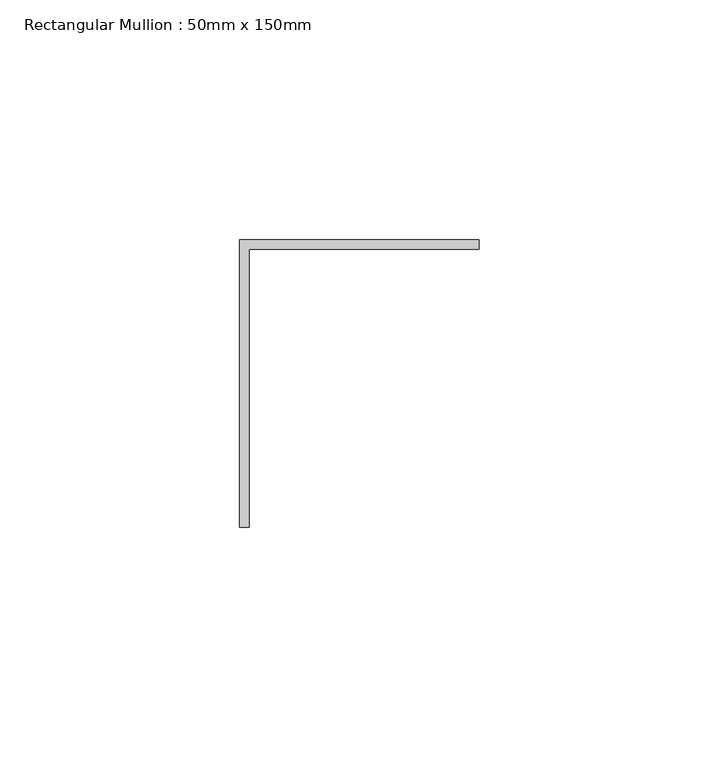
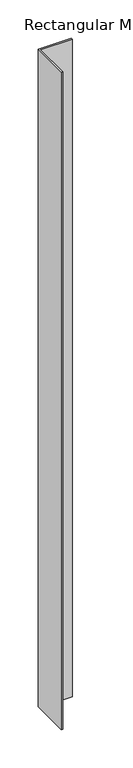
"""IFC4 building model written with IfcOpenShell, lengths in millimetres: member geometry, Rectangular Mullion : 50mm x 150mm."""

from ifc_helpers import new_model, si_unit, frame, origin, place, context, project, spatial, polyline, outline, extrude, source, transform, mapped, element, save


def rectangular_mullion_50mm_x_150mm_3222b00c(model_context):
    return source(origin(), model_context, "Body", "SweptSolid", [
        extrude(outline(polyline([(-50.0, 0.0), (0.0, 0.0), (0.0, -2.0), (-48.0, -2.0), (-48.0, -60.0), (-50.0, -60.0), (-50.0, 0.0)])), frame((0.0, 0.0, -1049.6930737), z_axis=(0.0, 0.0, 1.0), x_axis=(1.0, 0.0, 0.0)), (0.0, 0.0, 1.0), 1049.6930737),
    ])


if __name__ == "__main__":
    model = new_model("IFC4")
    model_context = context("Model", 3, world=origin())
    ifc_project = project(units=[si_unit("LENGTHUNIT", "METRE", prefix="MILLI")], contexts=[model_context])
    site = spatial("IfcSite", under=ifc_project)
    building = spatial("IfcBuilding", under=site)
    placement = place(None, origin())
    rectangular_mullion_50mm_x_150mm_shape = rectangular_mullion_50mm_x_150mm_3222b00c(model_context)
    element("IfcMember", 1, ObjectType="Rectangular Mullion : 50mm x 150mm", at=placement, inside=building, context=model_context, shape_type="MappedRepresentation", body=[
        mapped(rectangular_mullion_50mm_x_150mm_shape, transform((0.0, 0.0, 0.0), x_axis=(1.0, 0.0, 0.0), y_axis=(0.0, 1.0, 0.0), z_axis=(0.0, 0.0, 1.0))),
    ])
    save(model, "model.ifc")
